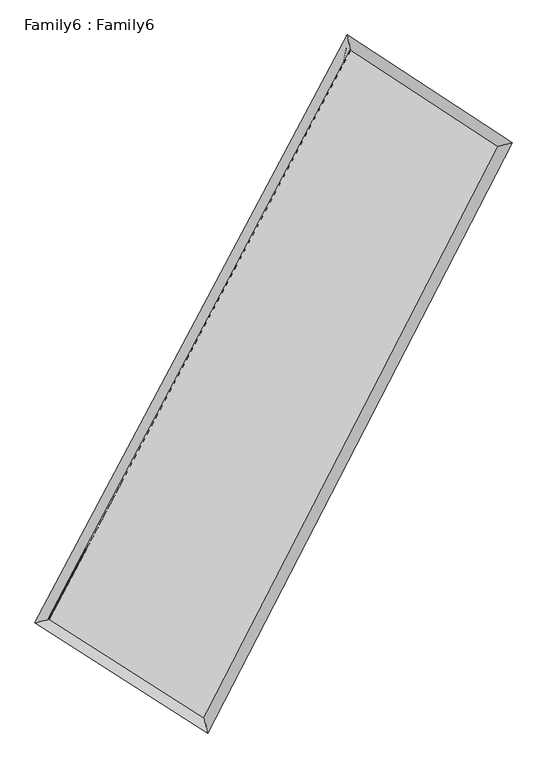
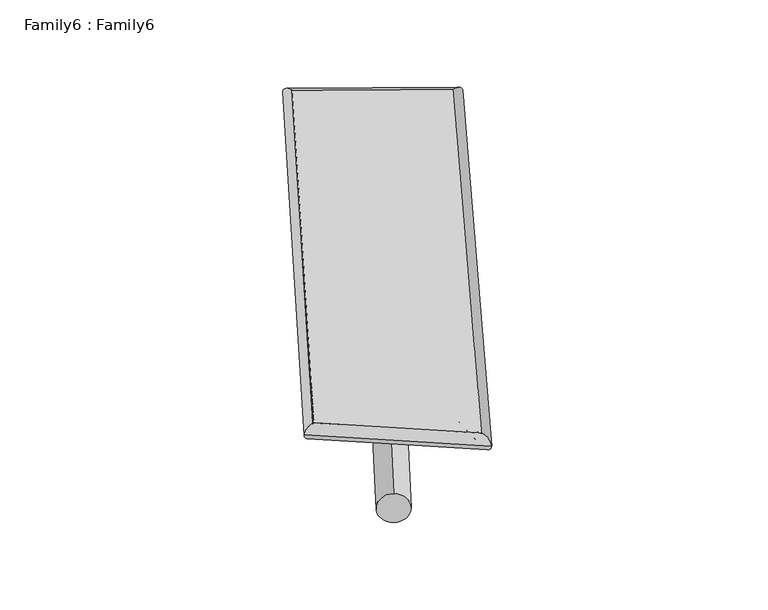
"""IFC4 building model written with IfcOpenShell, lengths in millimetres: plate geometry, Family6 : Family6."""

from ifc_helpers import new_model, si_unit, point, frame, origin, origin_2d, place, context, project, spatial, circle_curve, ellipse_curve, trimmed, segment, composite_curve, outline, extrude, source, transform, mapped, element, save
from ifc_brep_helpers import plane_surface, cylinder_surface, spline_surface, advanced_brep


def family6_family6_0e621229(model_context):
    return source(origin(), model_context, "Body", "SolidModel", [
        extrude(outline(composite_curve([segment(trimmed(circle_curve(origin_2d(), 76.2), [point((-75.4341514, -10.7763073))], [point((75.4341514, 10.7763073))], False, "CARTESIAN"), True, "CONTINUOUS"), segment(trimmed(circle_curve(origin_2d(), 76.2), [point((75.4341514, 10.7763073))], [point((-75.4341514, -10.7763073))], False, "CARTESIAN"), True, "CONTINUOUS")], self_intersect=False)), frame((9144.0, 9144.0, 0.0), z_axis=(0.655892075129643, 0.6952578313543231, 0.29397641694975224), x_axis=(-0.6887654622271617, 0.7105767705437535, -0.14381512857350742)), (0.0, 0.0, 1.0), 5401.4158876),
        extrude(outline(composite_curve([segment(trimmed(circle_curve(origin_2d(), 76.2), [point((-53.8815367, 53.8815367))], [point((53.8815367, -53.8815367))], False, "CARTESIAN"), True, "CONTINUOUS"), segment(trimmed(circle_curve(origin_2d(), 76.2), [point((53.8815367, -53.8815367))], [point((-53.8815367, 53.8815367))], False, "CARTESIAN"), True, "CONTINUOUS")], self_intersect=False)), frame((9144.0, 9144.0, 0.0), z_axis=(-0.664456736728209, -0.6878628721994913, 0.2921333840319621), x_axis=(0.6540621718299128, -0.3461594624024535, 0.6725892520479213)), (0.0, 0.0, 1.0), 5428.8707315),
        extrude(outline(composite_curve([segment(trimmed(circle_curve(origin_2d(), 76.2), [point((-53.8815367, -53.8815367))], [point((53.8815367, 53.8815367))], False, "CARTESIAN"), True, "CONTINUOUS"), segment(trimmed(circle_curve(origin_2d(), 76.2), [point((53.8815367, 53.8815367))], [point((-53.8815367, -53.8815367))], False, "CARTESIAN"), True, "CONTINUOUS")], self_intersect=False)), frame((9144.0, 9144.0, 0.0), z_axis=(0.21148743721102012, 0.9424574401030981, 0.25893442702010544), x_axis=(-0.8482515800004625, 0.30859547747937777, -0.4303929463943316)), (0.0, 0.0, 1.0), 5620.322055),
        extrude(outline(composite_curve([segment(trimmed(circle_curve(origin_2d(), 76.2), [point((-75.4341514, 10.7763073))], [point((75.4341514, -10.7763073))], False, "CARTESIAN"), True, "CONTINUOUS"), segment(trimmed(circle_curve(origin_2d(), 76.2), [point((75.4341514, -10.7763073))], [point((-75.4341514, 10.7763073))], False, "CARTESIAN"), True, "CONTINUOUS")], self_intersect=False)), frame((9144.0, 9144.0, 0.0), z_axis=(-0.2015000848149347, -0.9445708311926504, 0.25919811087197314), x_axis=(0.8997113612007241, -0.07388361895866948, 0.430186793586124)), (0.0, 0.0, 1.0), 5623.2776352),
        advanced_brep(
        [(5336.8250206, 5357.3065287, 1576.832289), (5336.3959561, 5356.7584561, 1596.8063169), (5736.6755187, 5462.056243, 1595.0764675), (10388.5968998, 14222.2024218, 1468.3389124), (10276.6581156, 14659.6262511, 1442.2508295), (5737.1045832, 5462.6043156, 1575.1024396), (12488.374424, 12847.2137491, 1586.6073661), (12885.1173264, 12951.5396435, 1589.1704121), (7951.9737293, 4050.634926, 1460.148407), (8069.8444298, 3614.1970142, 1454.937473)],
        [
            (0, 1, ellipse_curve(frame((5536.7502696, 5409.6813859, 1585.9543783), z_axis=(-0.25426367561251845, 0.966905407810965, 0.021069304922646654), x_axis=(-0.9660586048239599, -0.2549479386088643, 0.04162115621501533)), 207.5202503, 152.4)),
            (1, 2, ellipse_curve(frame((5536.7502696, 5409.6813859, 1585.9543783), z_axis=(-0.25426367561251845, 0.966905407810965, 0.021069304922646654), x_axis=(-0.9660586048239599, -0.2549479386088643, 0.04162115621501533)), 207.5202503, 152.4)),
            (2, 3),
            (3, 4, ellipse_curve(frame((10332.6275077, 14440.9143365, 1455.294871), z_axis=(-0.9681023691003298, -0.24925949644192957, -0.025446146581449954), x_axis=(0.2481373344675151, -0.9678780717713888, 0.04049569640658927)), 226.1765685, 152.4)),
            (4, 0),
            (2, 5, ellipse_curve(frame((5536.7502696, 5409.6813859, 1585.9543783), z_axis=(-0.25426367561251845, 0.966905407810965, 0.021069304922646654), x_axis=(-0.9660586048239599, -0.2549479386088643, 0.04162115621501533)), 207.5202503, 152.4)),
            (5, 0, ellipse_curve(frame((5536.7502696, 5409.6813859, 1585.9543783), z_axis=(-0.25426367561251845, 0.966905407810965, 0.021069304922646654), x_axis=(-0.9660586048239599, -0.2549479386088643, 0.04162115621501533)), 207.5202503, 152.4)),
            (4, 3, ellipse_curve(frame((10332.6275077, 14440.9143365, 1455.294871), z_axis=(-0.9681023691003298, -0.24925949644192957, -0.025446146581449954), x_axis=(0.2481373344675151, -0.9678780717713888, 0.04049569640658927)), 226.1765685, 152.4)),
            (3, 6),
            (6, 7, ellipse_curve(frame((12686.7458752, 12899.3766963, 1587.8888891), z_axis=(-0.25410327021823353, 0.9669013993855047, -0.023091382175006194), x_axis=(-0.9659309615511792, -0.2549151077977891, -0.044672870215109316)), 205.2423866, 152.4)),
            (7, 4),
            (7, 6, ellipse_curve(frame((12686.7458752, 12899.3766963, 1587.8888891), z_axis=(-0.25410327021823353, 0.9669013993855047, -0.023091382175006194), x_axis=(-0.9659309615511792, -0.2549151077977891, -0.044672870215109316)), 205.2423866, 152.4)),
            (6, 8),
            (8, 9, ellipse_curve(frame((8010.9090796, 3832.4159701, 1457.54294), z_axis=(0.9650874434426787, 0.26091954708905923, -0.02296119457072145), x_axis=(-0.2599496920213654, 0.9648648790497627, 0.03823509898357906)), 226.1493684, 152.4)),
            (9, 7),
            (9, 8, ellipse_curve(frame((8010.9090796, 3832.4159701, 1457.54294), z_axis=(0.9650874434426787, 0.26091954708905923, -0.02296119457072145), x_axis=(-0.2599496920213654, 0.9648648790497627, 0.03823509898357906)), 226.1493684, 152.4)),
            (8, 5),
            (1, 9),
        ],
        [
            cylinder_surface(frame((5536.7502696, 5409.6813859, 1585.9543783), z_axis=(-0.46896704919868315, -0.883123244664371, 0.01277659967885579), x_axis=(-0.88135815238961, 0.4669940783969545, -0.07158448126900302)), 152.4),
            cylinder_surface(frame((10332.6275077, 14440.9143365, 1455.294871), z_axis=(-0.8356667777131757, 0.5472162361531089, -0.04706832817195763), x_axis=(0.548846111401613, 0.8352319899857812, -0.033992188863328096)), 152.4),
            cylinder_surface(frame((12686.7458752, 12899.3766963, 1587.8888891), z_axis=(0.4583047812938965, 0.888703270507876, 0.012775931737401144), x_axis=(0.8887896919348452, -0.4583047812938965, -0.0031001537891978057)), 152.4),
            cylinder_surface(frame((8010.9090796, 3832.4159701, 1457.54294), z_axis=(0.8424224985730758, -0.5370406568709056, -0.0437226116050112), x_axis=(-0.5361624564757812, -0.8435526380690276, 0.030802062798461358)), 152.4),
        ],
        [
            (0, [[1, 2, 3, 4, 5]]),
            (0, [[6, 7, -5, 8, -3]]),
            (1, [[-4, 9, 10, 11]]),
            (1, [[-8, -11, 12, -9]]),
            (2, [[-10, 13, 14, 15]]),
            (2, [[-12, -15, 16, -13]]),
            (3, [[-14, 17, -6, -2, 18]]),
            (3, [[-16, -18, -1, -7, -17]]),
        ],
    ),
        extrude(outline(composite_curve([segment(trimmed(circle_curve(origin_2d(), 304.8), [point((0.0, -304.8))], [point((0.0, 304.8000001))], False, "CARTESIAN"), True, "CONTINUOUS"), segment(trimmed(circle_curve(origin_2d(), 304.8), [point((0.0, 304.8000001))], [point((0.0, -304.8))], False, "CARTESIAN"), True, "CONTINUOUS")], self_intersect=False)), frame((6708.016565, 4641.5529194, -0.117641), z_axis=(0.47585385206877495, 0.8795243663157997, 2.2980410991707965e-05), x_axis=(-0.8795243665967748, 0.47585385206877506, 5.818129995283335e-06)), (0.0, 0.0, 1.0), 10238.3680386),
        advanced_brep(
        [(5536.7502696, 5409.6813859, 1585.9543783), (8010.9090796, 3832.4159701, 1457.54294), (8010.945797, 3832.4031904, 1609.942935), (5536.7869871, 5409.6686061, 1738.3543733), (12686.7458752, 12899.3766963, 1587.8888891), (12686.7825927, 12899.3639166, 1740.2888841), (10332.6275077, 14440.9143365, 1455.294871), (10332.6642252, 14440.9015568, 1607.694866)],
        [
            (0, 1),
            (1, 2),
            (2, 3),
            (3, 0),
            (1, 4),
            (4, 5),
            (5, 2),
            (4, 6),
            (6, 7),
            (7, 5),
            (6, 0),
            (3, 7),
        ],
        [
            plane_surface(frame((6773.8296746, 4621.048678, 1521.7486591), z_axis=(-0.5375525445034718, -0.8432302523274677, 5.8801346477812405e-05), x_axis=(0.8424224985730755, -0.5370406568709057, -0.043722611605011216))),
            plane_surface(frame((10348.8274774, 8365.8963332, 1522.7159145), z_axis=(0.8887772591641883, -0.45833930641271864, -0.0002525662318838568), x_axis=(0.4583047812938967, 0.8887032705078759, 0.012775931737401132))),
            plane_surface(frame((11509.6866914, 13670.1455164, 1521.59188), z_axis=(0.5478258406046709, 0.8365924004809355, -6.183310005682813e-05), x_axis=(-0.8356667777131757, 0.5472162361531088, -0.04706832817195767))),
            plane_surface(frame((7934.6888887, 9925.2978612, 1520.6246246), z_axis=(-0.8831937957239091, 0.469008161584085, 0.0002521156695139996), x_axis=(-0.46896704919868343, -0.8831232446643706, 0.012776599678855761))),
            spline_surface(1, 1, [[(8010.945797, 3832.4031904, 1609.942935), (5536.7869871, 5409.6686061, 1738.3543733)], [(12686.7825927, 12899.3639166, 1740.2888841), (10332.6642252, 14440.9015568, 1607.694866)]], [2, 2], [2, 2], [0.0, 1.0], [0.0, 1.0]),
            spline_surface(1, 1, [[(10332.6275077, 14440.9143365, 1455.294871), (5536.7502696, 5409.6813859, 1585.9543783)], [(12686.7458752, 12899.3766963, 1587.8888891), (8010.9090796, 3832.4159701, 1457.54294)]], [2, 2], [2, 2], [0.0, 1.0], [0.0, 1.0]),
        ],
        [
            (0, [[1, 2, 3, 4]]),
            (1, [[5, 6, 7, -2]]),
            (2, [[8, 9, 10, -6]]),
            (3, [[11, -4, 12, -9]]),
            (4, [[-3, -7, -10, -12]]),
            (5, [[-11, -8, -5, -1]]),
        ],
    ),
    ])


if __name__ == "__main__":
    model = new_model("IFC4")
    model_context = context("Model", 3, world=origin())
    ifc_project = project(units=[si_unit("LENGTHUNIT", "METRE", prefix="MILLI")], contexts=[model_context])
    site = spatial("IfcSite", under=ifc_project)
    building = spatial("IfcBuilding", under=site)
    placement = place(None, origin())
    family6_family6_shape = family6_family6_0e621229(model_context)
    element("IfcPlate", 1, ObjectType="Family6 : Family6", at=placement, inside=building, context=model_context, shape_type="MappedRepresentation", body=[
        mapped(family6_family6_shape, transform((0.0, 0.0, 0.0), x_axis=(1.0, 0.0, 0.0), y_axis=(0.0, 1.0, 0.0), z_axis=(0.0, 0.0, 1.0))),
    ])
    save(model, "model.ifc")
